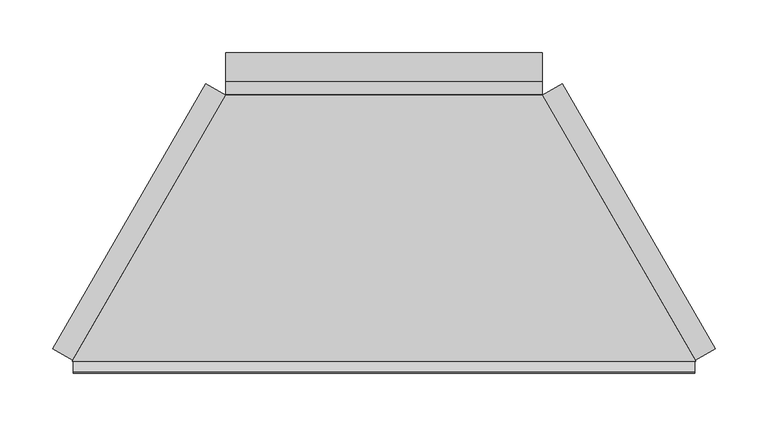
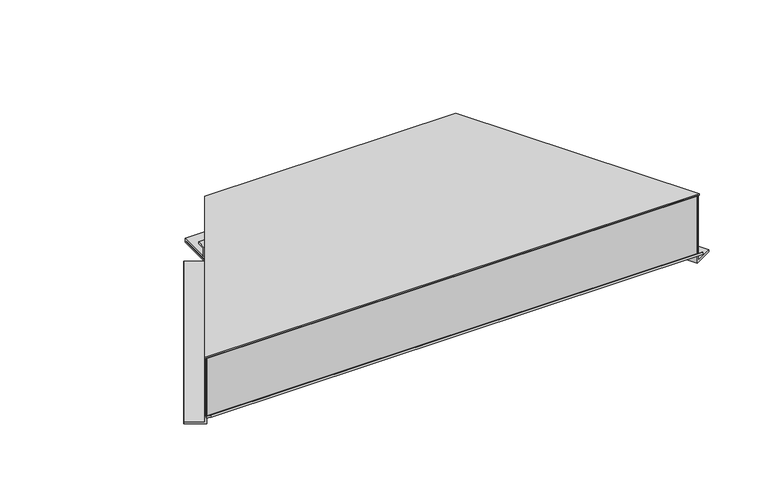
"""IFC4 building model written with IfcOpenShell, lengths in millimetres: proxy geometry."""

from ifc_helpers import new_model, si_unit, frame, origin, place, context, project, spatial, polyline, outline, extrude, source, transform, mapped, element, save


def generic_models_b398f88e(model_context):
    return source(origin(), model_context, "Body", "SweptSolid", [
        extrude(outline(polyline([(-80.8, 0.0), (0.0, 0.0), (0.0, 22.0), (2.0, 22.0), (2.0, 0.0), (2.0, -2.0), (-80.8, -2.0), (-80.8, 0.0)])), frame((-295.3125423, 1.0000267, 4.2), z_axis=(0.49999732699885974, 0.8660269470368664, 0.0), x_axis=(0.0, 0.0, -1.0)), (0.0, 0.0, 1.0), 290.4066679),
        extrude(outline(polyline([(0.0, 0.0), (2.0, 0.0), (2.0, -85.0), (0.0, -85.0), (-22.0, -85.0), (-22.0, -83.0), (0.0, -83.0), (0.0, 0.0)])), frame((295.2925423, 1.0000267, 85.0), z_axis=(-0.499997326998857, 0.866026947036868, 0.0), x_axis=(-0.866026947036868, -0.499997326998857, 0.0)), (0.0, 0.0, 1.0), 290.4066679),
        extrude(outline(polyline([(250.5, 85.0), (252.5, 85.0), (252.5, 6.0), (291.0, 6.0), (291.0, 7.0), (253.5, 7.0), (253.5, 21.1), (265.3, 21.1), (265.3, 19.1), (255.5, 19.1), (255.5, 9.0), (293.0, 9.0), (293.0, 4.0), (250.5, 4.0), (250.5, 85.0)])), frame((-150.11, 0.0, 0.0), z_axis=(1.0, 0.0, 0.0), x_axis=(0.0, 1.0, 0.0)), (0.0, 0.0, 1.0), 300.22),
        extrude(outline(polyline([(0.0, 12.1635024), (0.0, 85.0), (2.0, 85.0), (2.0, 9.6), (0.1740539, 9.6), (-10.9961152, 17.4221074), (-9.8488963, 19.0603652), (0.0, 12.1635024)])), frame((-294.7352115, 0.0, 0.0), z_axis=(1.0, 0.0, 0.0), x_axis=(0.0, 1.0, 0.0)), (0.0, 0.0, 1.0), 589.4504231),
        extrude(outline(polyline([(-150.11, 252.5), (150.09, 252.5), (295.8699038, 0.0), (-295.8899038, 0.0), (-150.11, 252.5)])), frame((0.0, 0.0, 85.0), z_axis=(0.0, 0.0, 1.0), x_axis=(1.0, 0.0, 0.0)), (0.0, 0.0, 1.0), 2.0),
    ])


if __name__ == "__main__":
    model = new_model("IFC4")
    model_context = context("Model", 3, world=origin())
    ifc_project = project(units=[si_unit("LENGTHUNIT", "METRE", prefix="MILLI")], contexts=[model_context])
    site = spatial("IfcSite", under=ifc_project)
    building = spatial("IfcBuilding", under=site)
    placement = place(None, origin())
    generic_models_shape = generic_models_b398f88e(model_context)
    element("IfcBuildingElementProxy", 1, Name="Generic Models", at=placement, inside=building, context=model_context, shape_type="MappedRepresentation", body=[
        mapped(generic_models_shape, transform((0.0, 0.0, 0.0), x_axis=(1.0, 0.0, 0.0), y_axis=(0.0, 1.0, 0.0), z_axis=(0.0, 0.0, 1.0))),
    ])
    save(model, "model.ifc")
